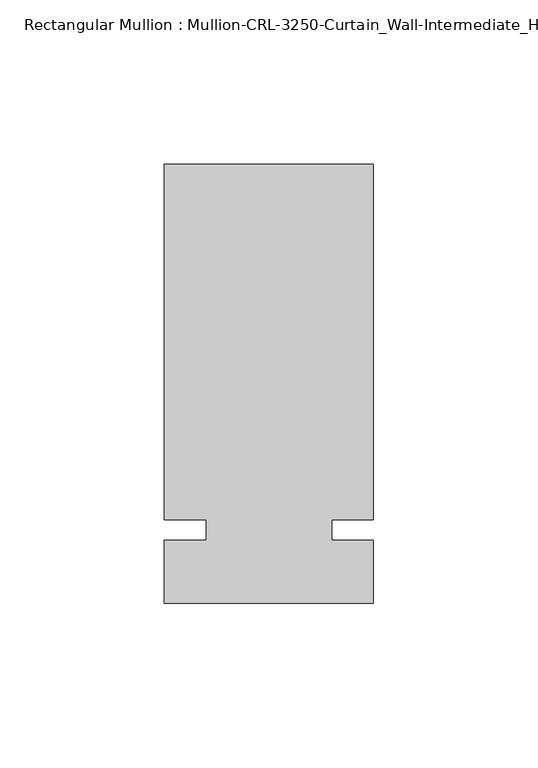
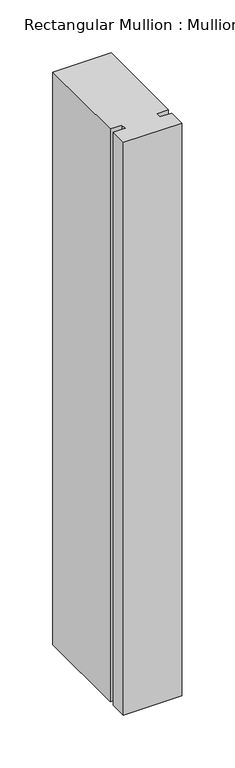
"""IFC4 building model written with IfcOpenShell, lengths in millimetres: member geometry."""

from ifc_helpers import new_model, si_unit, frame, origin, place, context, project, spatial, polyline, outline, extrude, source, transform, mapped, element, save


def member_09bc4a80(model_context):
    return source(origin(), model_context, "Body", "SweptSolid", [
        extrude(outline(polyline([(31.7499985, -3.175), (31.7499985, -22.2254168), (-31.7499985, -22.2254168), (-31.7499985, -3.175), (-19.0499985, -3.175), (-19.0499985, 3.175), (-31.7499985, 3.175), (-31.7499985, 111.1245832), (31.7499985, 111.1245832), (31.7499985, 3.175), (19.0499985, 3.175), (19.0499985, -3.175), (31.7499985, -3.175)])), frame((0.0, 0.0, -660.5746383), z_axis=(0.0, 0.0, 1.0), x_axis=(1.0, 0.0, 0.0)), (0.0, 0.0, 1.0), 660.5746383),
    ])


if __name__ == "__main__":
    model = new_model("IFC4")
    model_context = context("Model", 3, world=origin())
    ifc_project = project(units=[si_unit("LENGTHUNIT", "METRE", prefix="MILLI")], contexts=[model_context])
    site = spatial("IfcSite", under=ifc_project)
    building = spatial("IfcBuilding", under=site)
    placement = place(None, origin())
    member_shape = member_09bc4a80(model_context)
    element("IfcMember", 1, ObjectType="Rectangular Mullion : Mullion-CRL-3250-Curtain_Wall-Intermediate_Horizontal-4\"", at=placement, inside=building, context=model_context, shape_type="MappedRepresentation", body=[
        mapped(member_shape, transform((0.0, 0.0, 0.0), x_axis=(1.0, 0.0, 0.0), y_axis=(0.0, 1.0, 0.0), z_axis=(0.0, 0.0, 1.0))),
    ])
    save(model, "model.ifc")
